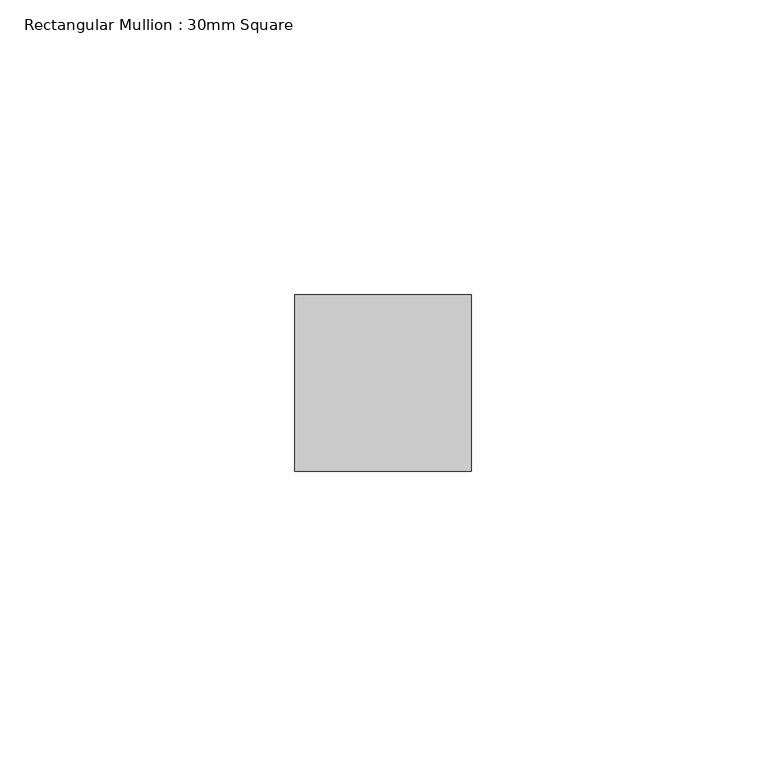
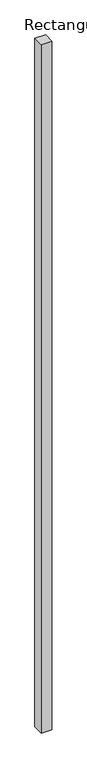
"""IFC4 building model written with IfcOpenShell, lengths in millimetres: member geometry, Rectangular Mullion : 30mm Square."""

import ifcopenshell
import ifcopenshell.guid

model = None  # the IFC model being written
_history = None  # IfcOwnerHistory: only IFC2X3 demands one
_inside = {}  # id of a spatial element -> (the spatial element, [elements in it])
_under = {}  # id of a project, library or spatial element -> (it, [spatial elements below it])
_declared = {}  # id of a project -> (the project, [libraries it declares])
_typed = {}  # id of a type object -> (the type object, [elements of that type])
_made_of = {}  # id of a material, layer set ... -> (it, [elements and type objects made of it])


def new_model(schema):
    """Start an empty IFC model of exactly this schema.

    Asked for "IFC4X3", IfcOpenShell would pick the latest addendum, in which some entities
    have other attributes; the version numbers below select the first issue.
    IFC2X3 requires an IfcOwnerHistory on every rooted entity: one is made here for all.
    """
    global model, _history
    if schema == "IFC4X3":
        model = ifcopenshell.file(schema_version=(4, 3, 0, 0))
    else:
        model = ifcopenshell.file(schema=schema)
    _inside.clear()
    _under.clear()
    _declared.clear()
    _typed.clear()
    _made_of.clear()
    _history = None
    if model.schema == "IFC2X3":
        org = make("IfcOrganization", Name="unknown")
        user = make(
            "IfcPersonAndOrganization",
            ThePerson=make("IfcPerson", FamilyName="unknown"),
            TheOrganization=org,
        )
        app = make(
            "IfcApplication",
            ApplicationDeveloper=org,
            Version="unknown",
            ApplicationFullName="unknown",
            ApplicationIdentifier="unknown",
        )
        _history = make(
            "IfcOwnerHistory",
            OwningUser=user,
            OwningApplication=app,
            ChangeAction="ADDED",
            CreationDate=0,
        )
    return model


def make(cls, **values):
    """One entity of the class cls with the attributes given. An attribute that is None is left unset."""
    return model.create_entity(
        cls, **{name: value for name, value in values.items() if value is not None}
    )


def rooted(cls, **values):
    """An entity with a GlobalId (a new one), such as an element, a storey or a relation."""
    return make(cls, GlobalId=ifcopenshell.guid.new(), OwnerHistory=_history, **values)


def si_unit(unit_type, name, prefix=None):
    """IfcSIUnit, for example si_unit("LENGTHUNIT", "METRE", prefix="MILLI")."""
    return make("IfcSIUnit", UnitType=unit_type, Prefix=prefix, Name=name)


def assignment(units):
    """IfcUnitAssignment: the units of a project."""
    return None if units is None else make("IfcUnitAssignment", Units=units)


def point(xyz):
    """IfcCartesianPoint."""
    return None if xyz is None else make("IfcCartesianPoint", Coordinates=xyz)


def direction(xyz):
    """IfcDirection."""
    return None if xyz is None else make("IfcDirection", DirectionRatios=xyz)


def frame(location, z_axis=None, x_axis=None):
    """IfcAxis2Placement3D, a coordinate frame: its origin and axes. An axis left out is left unset."""
    return make(
        "IfcAxis2Placement3D",
        Location=point(location),
        Axis=direction(z_axis),
        RefDirection=direction(x_axis),
    )


def origin():
    """The frame at (0, 0, 0) with its axes left unset."""
    return frame((0.0, 0.0, 0.0))


def place(relative_to, where):
    """IfcLocalPlacement: puts the frame where relative to a parent placement (None: the world)."""
    return make(
        "IfcLocalPlacement", PlacementRelTo=relative_to, RelativePlacement=where
    )


def context(
    kind, dimensions, precision=None, world=None, true_north=None, identifier=None
):
    """IfcGeometricRepresentationContext, for example the 3D "Model" context."""
    return make(
        "IfcGeometricRepresentationContext",
        ContextIdentifier=identifier,
        ContextType=kind,
        CoordinateSpaceDimension=dimensions,
        Precision=precision,
        WorldCoordinateSystem=world,
        TrueNorth=true_north,
    )


def project(units=None, contexts=None):
    """IfcProject with its units and contexts."""
    return rooted(
        "IfcProject",
        Name="project",
        RepresentationContexts=contexts,
        UnitsInContext=assignment(units),
    )


def spatial(cls, under=None, at=None, **own):
    """A site, building, storey or space (cls), placed at a placement, below another one or the project."""
    s = rooted(cls, ObjectPlacement=at, **own)
    if under is not None:
        _under.setdefault(under.id(), (under, []))[1].append(s)
    return s


def polyline(points):
    """IfcPolyline through the points."""
    return make("IfcPolyline", Points=[point(p) for p in points])


def outline(outer, holes=None, kind="AREA"):
    """IfcArbitraryClosedProfileDef: a profile drawn as a closed curve; with holes, ...WithVoids."""
    if holes is None:
        return make("IfcArbitraryClosedProfileDef", ProfileType=kind, OuterCurve=outer)
    return make(
        "IfcArbitraryProfileDefWithVoids",
        ProfileType=kind,
        OuterCurve=outer,
        InnerCurves=holes,
    )


def extrude(swept, where, along, depth):
    """IfcExtrudedAreaSolid: the profile swept, set in the frame where, extruded along a direction by depth."""
    return make(
        "IfcExtrudedAreaSolid",
        SweptArea=swept,
        Position=where,
        ExtrudedDirection=direction(along),
        Depth=depth,
    )


def shape(context_of_items, identifier, shape_type, items):
    """IfcShapeRepresentation: the items that make up one representation, for example the "Body"."""
    return make(
        "IfcShapeRepresentation",
        ContextOfItems=context_of_items,
        RepresentationIdentifier=identifier,
        RepresentationType=shape_type,
        Items=items,
    )


def source(mapping_origin, context_of_items, identifier, shape_type, items):
    """IfcRepresentationMap: a shape defined once, which mapped items show again and again."""
    return make(
        "IfcRepresentationMap",
        MappingOrigin=mapping_origin,
        MappedRepresentation=shape(context_of_items, identifier, shape_type, items),
    )


def transform(
    local_origin,
    x_axis=None,
    y_axis=None,
    z_axis=None,
    scale=None,
    scale2=None,
    scale3=None,
    uniform=True,
):
    """IfcCartesianTransformationOperator3D, or its non-uniform kind. x_axis, y_axis, z_axis: its Axis1, 2, 3."""
    if uniform:
        return make(
            "IfcCartesianTransformationOperator3D",
            Axis1=direction(x_axis),
            Axis2=direction(y_axis),
            LocalOrigin=point(local_origin),
            Scale=scale,
            Axis3=direction(z_axis),
        )
    return make(
        "IfcCartesianTransformationOperator3DnonUniform",
        Axis1=direction(x_axis),
        Axis2=direction(y_axis),
        LocalOrigin=point(local_origin),
        Scale=scale,
        Axis3=direction(z_axis),
        Scale2=scale2,
        Scale3=scale3,
    )


def mapped(mapping_source, mapping_target):
    """IfcMappedItem: shows the shape of a source again, moved by a transform."""
    return make(
        "IfcMappedItem", MappingSource=mapping_source, MappingTarget=mapping_target
    )


def made_of(thing, what):
    """Note that an element or type object is made of a material, layer set ...; save() writes the relation."""
    if what is not None:
        _made_of.setdefault(what.id(), (what, []))[1].append(thing)
    return thing


def element(
    cls,
    number,
    at=None,
    inside=None,
    cuts=None,
    type_object=None,
    material=None,
    context=None,
    identifier="Body",
    shape_type=None,
    held_by="IfcProductDefinitionShape",
    body=None,
    shapes=None,
    **own,
):
    """One element of the class cls, such as IfcWall. Its Tag is "e" and its number.

    at: its placement. inside: the storey or other place that contains it. cuts: it is an
    opening in that element (IfcRelVoidsElement). A single representation is given by context,
    identifier, shape_type and body (its items); several are given by shapes. held_by: the class
    of the entity that holds the representations. save() writes the other relations.
    """
    e = rooted(cls, Tag="e%d" % number, ObjectPlacement=at, **own)
    if body is not None:
        shapes = [shape(context, identifier, shape_type, body)]
    if shapes is not None:
        e.Representation = make(held_by, Representations=shapes)
    if inside is not None:
        _inside.setdefault(inside.id(), (inside, []))[1].append(e)
    if cuts is not None:
        rooted(
            "IfcRelVoidsElement", RelatingBuildingElement=cuts, RelatedOpeningElement=e
        )
    if type_object is not None:
        _typed.setdefault(type_object.id(), (type_object, []))[1].append(e)
    return made_of(e, material)


def aggregate(whole, parts):
    """IfcRelAggregates: a whole, such as a stair, and the parts it consists of."""
    return rooted("IfcRelAggregates", RelatingObject=whole, RelatedObjects=parts)


def save(model, path):
    """Write the relations noted so far, then the file.

    IfcRelAggregates (storeys below a building ...), IfcRelContainedInSpatialStructure (elements
    in a storey), IfcRelDefinesByType, IfcRelAssociatesMaterial and IfcRelDeclares: one each for
    every whole, place, type object, material and project.
    """
    for whole, parts in _under.values():
        aggregate(whole, parts)
    for where, things in _inside.values():
        rooted(
            "IfcRelContainedInSpatialStructure",
            RelatedElements=things,
            RelatingStructure=where,
        )
    for kind, things in _typed.values():
        rooted("IfcRelDefinesByType", RelatedObjects=things, RelatingType=kind)
    for what, things in _made_of.values():
        rooted("IfcRelAssociatesMaterial", RelatedObjects=things, RelatingMaterial=what)
    for by, libraries in _declared.values():
        rooted("IfcRelDeclares", RelatingContext=by, RelatedDefinitions=libraries)
    model.write(path)


def rectangular_mullion_30mm_square_806095d0(model_context):
    return source(origin(), model_context, "Body", "SweptSolid", [
        extrude(outline(polyline([(15.0, 15.0), (15.0, -15.0), (-15.0, -15.0), (-15.0, 15.0), (15.0, 15.0)])), frame((0.0, 0.0, -2055.0), z_axis=(0.0, 0.0, 1.0), x_axis=(1.0, 0.0, 0.0)), (0.0, 0.0, 1.0), 2055.0),
    ])


if __name__ == "__main__":
    model = new_model("IFC4")
    model_context = context("Model", 3, world=origin())
    ifc_project = project(units=[si_unit("LENGTHUNIT", "METRE", prefix="MILLI")], contexts=[model_context])
    site = spatial("IfcSite", under=ifc_project)
    building = spatial("IfcBuilding", under=site)
    placement = place(None, origin())
    rectangular_mullion_30mm_square_shape = rectangular_mullion_30mm_square_806095d0(model_context)
    element("IfcMember", 1, ObjectType="Rectangular Mullion : 30mm Square", at=placement, inside=building, context=model_context, shape_type="MappedRepresentation", body=[
        mapped(rectangular_mullion_30mm_square_shape, transform((0.0, 0.0, 0.0), x_axis=(1.0, 0.0, 0.0), y_axis=(0.0, 1.0, 0.0), z_axis=(0.0, 0.0, 1.0))),
    ])
    save(model, "model.ifc")
